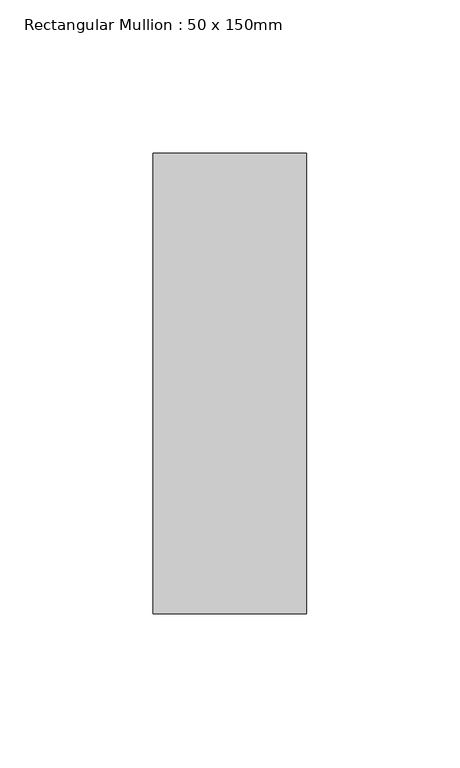
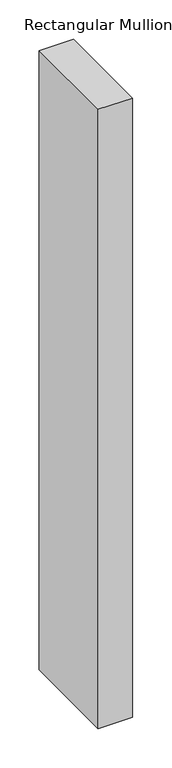
"""IFC4 building model written with IfcOpenShell, lengths in millimetres: member geometry, Rectangular Mullion : 50 x 150mm."""

from ifc_helpers import new_model, si_unit, frame, origin, place, context, project, spatial, polyline, outline, extrude, source, transform, mapped, element, save


def rectangular_mullion_50_x_150mm_6d7617de(model_context):
    return source(origin(), model_context, "Body", "SweptSolid", [
        extrude(outline(polyline([(25.0, 75.0), (25.0, -75.0), (-25.0, -75.0), (-25.0, 75.0), (25.0, 75.0)])), frame((0.0, 0.0, -959.2832552), z_axis=(0.0, 0.0, 1.0), x_axis=(1.0, 0.0, 0.0)), (0.0, 0.0, 1.0), 959.2832552),
    ])


if __name__ == "__main__":
    model = new_model("IFC4")
    model_context = context("Model", 3, world=origin())
    ifc_project = project(units=[si_unit("LENGTHUNIT", "METRE", prefix="MILLI")], contexts=[model_context])
    site = spatial("IfcSite", under=ifc_project)
    building = spatial("IfcBuilding", under=site)
    placement = place(None, origin())
    rectangular_mullion_50_x_150mm_shape = rectangular_mullion_50_x_150mm_6d7617de(model_context)
    element("IfcMember", 1, ObjectType="Rectangular Mullion : 50 x 150mm", at=placement, inside=building, context=model_context, shape_type="MappedRepresentation", body=[
        mapped(rectangular_mullion_50_x_150mm_shape, transform((0.0, 0.0, 0.0), x_axis=(1.0, 0.0, 0.0), y_axis=(0.0, 1.0, 0.0), z_axis=(0.0, 0.0, 1.0))),
    ])
    save(model, "model.ifc")
